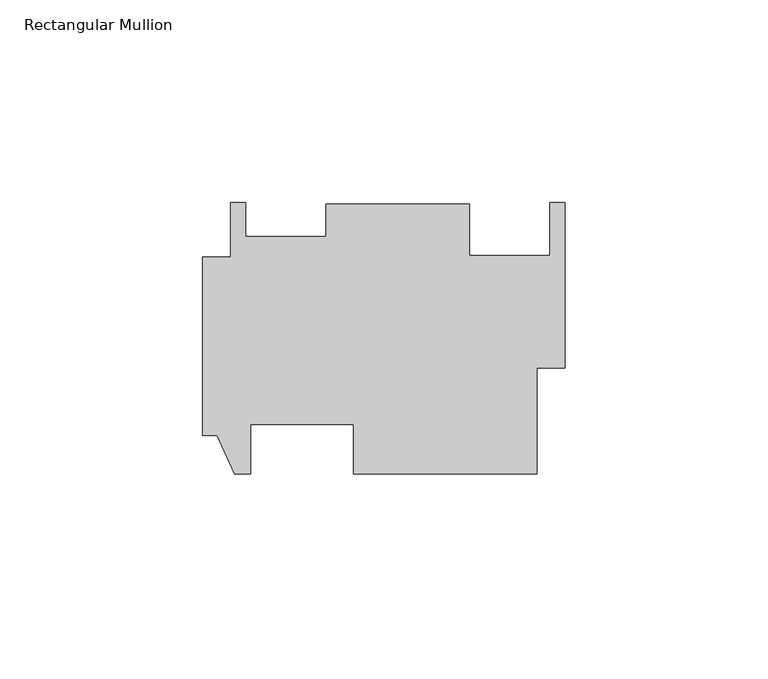
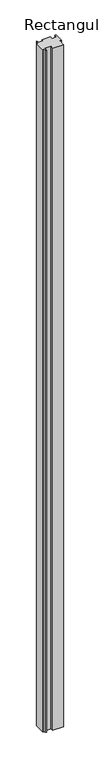
"""IFC4 building model written with IfcOpenShell, lengths in millimetres: member geometry, Rectangular Mullion."""

from ifc_helpers import new_model, si_unit, frame, origin, place, context, project, spatial, polyline, outline, extrude, source, transform, mapped, element, save


def rectangular_mullion_0b7d1842(model_context):
    return source(origin(), model_context, "Body", "SweptSolid", [
        extrude(outline(polyline([(-6.9088, -7.8258473), (-6.9088, -34.0204678), (-52.2224, -34.0204678), (-52.2224, -21.8030678), (-77.6224, -21.8030678), (-77.6224, -34.0204678), (-81.534, -34.0204678), (-85.852, -24.4954678), (-89.4588, -24.4954678), (-89.4588, 19.4719322), (-82.55, 19.4719322), (-82.55, 32.9593322), (-78.8162, 32.9593322), (-78.8162, 24.5206321), (-58.9788, 24.5206321), (-58.9788, 32.6136307), (-23.5712, 32.6136307), (-23.5712, 19.9091892), (-3.7338, 19.9091892), (-3.7338, 32.9593322), (0.0, 32.9593322), (0.0, -7.8258473), (-6.9088, -7.8258473)])), frame((0.0, 0.0, -3048.0), z_axis=(0.0, 0.0, 1.0), x_axis=(1.0, 0.0, 0.0)), (0.0, 0.0, 1.0), 3048.0),
    ])


if __name__ == "__main__":
    model = new_model("IFC4")
    model_context = context("Model", 3, world=origin())
    ifc_project = project(units=[si_unit("LENGTHUNIT", "METRE", prefix="MILLI")], contexts=[model_context])
    site = spatial("IfcSite", under=ifc_project)
    building = spatial("IfcBuilding", under=site)
    placement = place(None, origin())
    rectangular_mullion_shape = rectangular_mullion_0b7d1842(model_context)
    element("IfcMember", 1, ObjectType="Rectangular Mullion", at=placement, inside=building, context=model_context, shape_type="MappedRepresentation", body=[
        mapped(rectangular_mullion_shape, transform((0.0, 0.0, 0.0), x_axis=(1.0, 0.0, 0.0), y_axis=(0.0, 1.0, 0.0), z_axis=(0.0, 0.0, 1.0))),
    ])
    save(model, "model.ifc")
